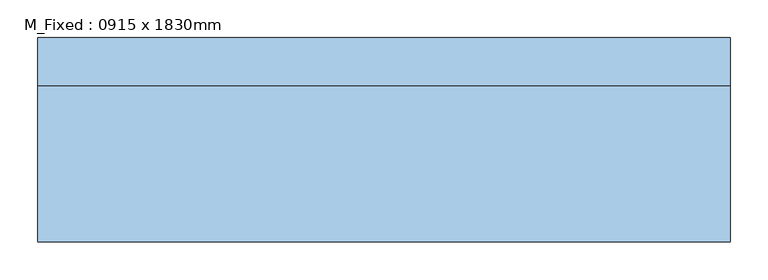
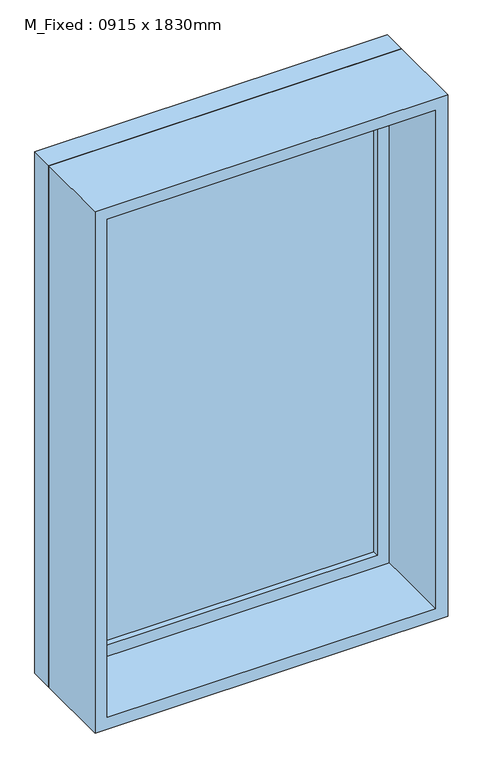
"""IFC4 building model written with IfcOpenShell, lengths in millimetres: window geometry, M_Fixed : 0915 x 1830mm."""

import ifcopenshell
import ifcopenshell.guid

model = None  # the IFC model being written
_history = None  # IfcOwnerHistory: only IFC2X3 demands one
_inside = {}  # id of a spatial element -> (the spatial element, [elements in it])
_under = {}  # id of a project, library or spatial element -> (it, [spatial elements below it])
_declared = {}  # id of a project -> (the project, [libraries it declares])
_typed = {}  # id of a type object -> (the type object, [elements of that type])
_made_of = {}  # id of a material, layer set ... -> (it, [elements and type objects made of it])


def new_model(schema):
    """Start an empty IFC model of exactly this schema.

    Asked for "IFC4X3", IfcOpenShell would pick the latest addendum, in which some entities
    have other attributes; the version numbers below select the first issue.
    IFC2X3 requires an IfcOwnerHistory on every rooted entity: one is made here for all.
    """
    global model, _history
    if schema == "IFC4X3":
        model = ifcopenshell.file(schema_version=(4, 3, 0, 0))
    else:
        model = ifcopenshell.file(schema=schema)
    _inside.clear()
    _under.clear()
    _declared.clear()
    _typed.clear()
    _made_of.clear()
    _history = None
    if model.schema == "IFC2X3":
        org = make("IfcOrganization", Name="unknown")
        user = make(
            "IfcPersonAndOrganization",
            ThePerson=make("IfcPerson", FamilyName="unknown"),
            TheOrganization=org,
        )
        app = make(
            "IfcApplication",
            ApplicationDeveloper=org,
            Version="unknown",
            ApplicationFullName="unknown",
            ApplicationIdentifier="unknown",
        )
        _history = make(
            "IfcOwnerHistory",
            OwningUser=user,
            OwningApplication=app,
            ChangeAction="ADDED",
            CreationDate=0,
        )
    return model


def make(cls, **values):
    """One entity of the class cls with the attributes given. An attribute that is None is left unset."""
    return model.create_entity(
        cls, **{name: value for name, value in values.items() if value is not None}
    )


def rooted(cls, **values):
    """An entity with a GlobalId (a new one), such as an element, a storey or a relation."""
    return make(cls, GlobalId=ifcopenshell.guid.new(), OwnerHistory=_history, **values)


def si_unit(unit_type, name, prefix=None):
    """IfcSIUnit, for example si_unit("LENGTHUNIT", "METRE", prefix="MILLI")."""
    return make("IfcSIUnit", UnitType=unit_type, Prefix=prefix, Name=name)


def assignment(units):
    """IfcUnitAssignment: the units of a project."""
    return None if units is None else make("IfcUnitAssignment", Units=units)


def point(xyz):
    """IfcCartesianPoint."""
    return None if xyz is None else make("IfcCartesianPoint", Coordinates=xyz)


def direction(xyz):
    """IfcDirection."""
    return None if xyz is None else make("IfcDirection", DirectionRatios=xyz)


def frame(location, z_axis=None, x_axis=None):
    """IfcAxis2Placement3D, a coordinate frame: its origin and axes. An axis left out is left unset."""
    return make(
        "IfcAxis2Placement3D",
        Location=point(location),
        Axis=direction(z_axis),
        RefDirection=direction(x_axis),
    )


def origin():
    """The frame at (0, 0, 0) with its axes left unset."""
    return frame((0.0, 0.0, 0.0))


def place(relative_to, where):
    """IfcLocalPlacement: puts the frame where relative to a parent placement (None: the world)."""
    return make(
        "IfcLocalPlacement", PlacementRelTo=relative_to, RelativePlacement=where
    )


def context(
    kind, dimensions, precision=None, world=None, true_north=None, identifier=None
):
    """IfcGeometricRepresentationContext, for example the 3D "Model" context."""
    return make(
        "IfcGeometricRepresentationContext",
        ContextIdentifier=identifier,
        ContextType=kind,
        CoordinateSpaceDimension=dimensions,
        Precision=precision,
        WorldCoordinateSystem=world,
        TrueNorth=true_north,
    )


def project(units=None, contexts=None):
    """IfcProject with its units and contexts."""
    return rooted(
        "IfcProject",
        Name="project",
        RepresentationContexts=contexts,
        UnitsInContext=assignment(units),
    )


def spatial(cls, under=None, at=None, **own):
    """A site, building, storey or space (cls), placed at a placement, below another one or the project."""
    s = rooted(cls, ObjectPlacement=at, **own)
    if under is not None:
        _under.setdefault(under.id(), (under, []))[1].append(s)
    return s


def polyline(points):
    """IfcPolyline through the points."""
    return make("IfcPolyline", Points=[point(p) for p in points])


def outline(outer, holes=None, kind="AREA"):
    """IfcArbitraryClosedProfileDef: a profile drawn as a closed curve; with holes, ...WithVoids."""
    if holes is None:
        return make("IfcArbitraryClosedProfileDef", ProfileType=kind, OuterCurve=outer)
    return make(
        "IfcArbitraryProfileDefWithVoids",
        ProfileType=kind,
        OuterCurve=outer,
        InnerCurves=holes,
    )


def extrude(swept, where, along, depth):
    """IfcExtrudedAreaSolid: the profile swept, set in the frame where, extruded along a direction by depth."""
    return make(
        "IfcExtrudedAreaSolid",
        SweptArea=swept,
        Position=where,
        ExtrudedDirection=direction(along),
        Depth=depth,
    )


def shape(context_of_items, identifier, shape_type, items):
    """IfcShapeRepresentation: the items that make up one representation, for example the "Body"."""
    return make(
        "IfcShapeRepresentation",
        ContextOfItems=context_of_items,
        RepresentationIdentifier=identifier,
        RepresentationType=shape_type,
        Items=items,
    )


def source(mapping_origin, context_of_items, identifier, shape_type, items):
    """IfcRepresentationMap: a shape defined once, which mapped items show again and again."""
    return make(
        "IfcRepresentationMap",
        MappingOrigin=mapping_origin,
        MappedRepresentation=shape(context_of_items, identifier, shape_type, items),
    )


def transform(
    local_origin,
    x_axis=None,
    y_axis=None,
    z_axis=None,
    scale=None,
    scale2=None,
    scale3=None,
    uniform=True,
):
    """IfcCartesianTransformationOperator3D, or its non-uniform kind. x_axis, y_axis, z_axis: its Axis1, 2, 3."""
    if uniform:
        return make(
            "IfcCartesianTransformationOperator3D",
            Axis1=direction(x_axis),
            Axis2=direction(y_axis),
            LocalOrigin=point(local_origin),
            Scale=scale,
            Axis3=direction(z_axis),
        )
    return make(
        "IfcCartesianTransformationOperator3DnonUniform",
        Axis1=direction(x_axis),
        Axis2=direction(y_axis),
        LocalOrigin=point(local_origin),
        Scale=scale,
        Axis3=direction(z_axis),
        Scale2=scale2,
        Scale3=scale3,
    )


def mapped(mapping_source, mapping_target):
    """IfcMappedItem: shows the shape of a source again, moved by a transform."""
    return make(
        "IfcMappedItem", MappingSource=mapping_source, MappingTarget=mapping_target
    )


def made_of(thing, what):
    """Note that an element or type object is made of a material, layer set ...; save() writes the relation."""
    if what is not None:
        _made_of.setdefault(what.id(), (what, []))[1].append(thing)
    return thing


def element(
    cls,
    number,
    at=None,
    inside=None,
    cuts=None,
    type_object=None,
    material=None,
    context=None,
    identifier="Body",
    shape_type=None,
    held_by="IfcProductDefinitionShape",
    body=None,
    shapes=None,
    **own,
):
    """One element of the class cls, such as IfcWall. Its Tag is "e" and its number.

    at: its placement. inside: the storey or other place that contains it. cuts: it is an
    opening in that element (IfcRelVoidsElement). A single representation is given by context,
    identifier, shape_type and body (its items); several are given by shapes. held_by: the class
    of the entity that holds the representations. save() writes the other relations.
    """
    e = rooted(cls, Tag="e%d" % number, ObjectPlacement=at, **own)
    if body is not None:
        shapes = [shape(context, identifier, shape_type, body)]
    if shapes is not None:
        e.Representation = make(held_by, Representations=shapes)
    if inside is not None:
        _inside.setdefault(inside.id(), (inside, []))[1].append(e)
    if cuts is not None:
        rooted(
            "IfcRelVoidsElement", RelatingBuildingElement=cuts, RelatedOpeningElement=e
        )
    if type_object is not None:
        _typed.setdefault(type_object.id(), (type_object, []))[1].append(e)
    return made_of(e, material)


def aggregate(whole, parts):
    """IfcRelAggregates: a whole, such as a stair, and the parts it consists of."""
    return rooted("IfcRelAggregates", RelatingObject=whole, RelatedObjects=parts)


def save(model, path):
    """Write the relations noted so far, then the file.

    IfcRelAggregates (storeys below a building ...), IfcRelContainedInSpatialStructure (elements
    in a storey), IfcRelDefinesByType, IfcRelAssociatesMaterial and IfcRelDeclares: one each for
    every whole, place, type object, material and project.
    """
    for whole, parts in _under.values():
        aggregate(whole, parts)
    for where, things in _inside.values():
        rooted(
            "IfcRelContainedInSpatialStructure",
            RelatedElements=things,
            RelatingStructure=where,
        )
    for kind, things in _typed.values():
        rooted("IfcRelDefinesByType", RelatedObjects=things, RelatingType=kind)
    for what, things in _made_of.values():
        rooted("IfcRelAssociatesMaterial", RelatedObjects=things, RelatingMaterial=what)
    for by, libraries in _declared.values():
        rooted("IfcRelDeclares", RelatingContext=by, RelatedDefinitions=libraries)
    model.write(path)


def m_fixed_0915_x_1830mm_1ab3daeb(model_context):
    return source(origin(), model_context, "Body", "SweptSolid", [
        extrude(outline(polyline([(-394.5, 113.0), (394.5, 113.0), (394.5, 101.0), (-394.5, 101.0), (-394.5, 113.0)])), frame((0.0, 0.0, 368.0), z_axis=(0.0, 0.0, 1.0), x_axis=(1.0, 0.0, 0.0)), (0.0, 0.0, 1.0), 1303.0),
        extrude(outline(polyline([(1715.0, -438.5), (324.0, -438.5), (324.0, 438.5), (1715.0, 438.5), (1715.0, -438.5)]), holes=[polyline([(1671.0, -394.5), (1671.0, 394.5), (368.0, 394.5), (368.0, -394.5), (1671.0, -394.5)])]), frame((0.0, 85.0, 0.0), z_axis=(0.0, 1.0, 0.0), x_axis=(0.0, 0.0, 1.0)), (0.0, 0.0, 1.0), 44.0),
        extrude(outline(polyline([(1734.0, -457.5), (305.0, -457.5), (305.0, 457.5), (1734.0, 457.5), (1734.0, -457.5)]), holes=[polyline([(1715.0, -438.5), (1715.0, 438.5), (324.0, 438.5), (324.0, -438.5), (1715.0, -438.5)])]), frame((0.0, 85.0, 0.0), z_axis=(0.0, 1.0, 0.0), x_axis=(0.0, 0.0, 1.0)), (0.0, 0.0, 1.0), 63.0),
        extrude(outline(polyline([(1734.0, -457.5), (305.0, -457.5), (305.0, 457.5), (1734.0, 457.5), (1734.0, -457.5)]), holes=[polyline([(1702.0, -425.5), (1702.0, 425.5), (337.0, 425.5), (337.0, -425.5), (1702.0, -425.5)])]), frame((0.0, -122.0, 0.0), z_axis=(0.0, 1.0, 0.0), x_axis=(0.0, 0.0, 1.0)), (0.0, 0.0, 1.0), 207.0),
    ])


if __name__ == "__main__":
    model = new_model("IFC4")
    model_context = context("Model", 3, world=origin())
    ifc_project = project(units=[si_unit("LENGTHUNIT", "METRE", prefix="MILLI")], contexts=[model_context])
    site = spatial("IfcSite", under=ifc_project)
    building = spatial("IfcBuilding", under=site)
    placement = place(None, origin())
    m_fixed_0915_x_1830mm_shape = m_fixed_0915_x_1830mm_1ab3daeb(model_context)
    element("IfcWindow", 1, ObjectType="M_Fixed : 0915 x 1830mm", at=placement, inside=building, context=model_context, shape_type="MappedRepresentation", body=[
        mapped(m_fixed_0915_x_1830mm_shape, transform((0.0, 0.0, 0.0), x_axis=(1.0, 0.0, 0.0), y_axis=(0.0, 1.0, 0.0), z_axis=(0.0, 0.0, 1.0))),
    ])
    save(model, "model.ifc")
